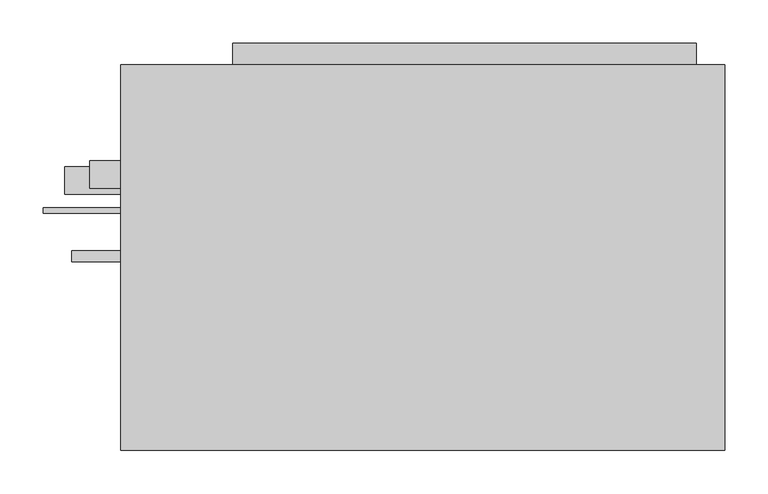
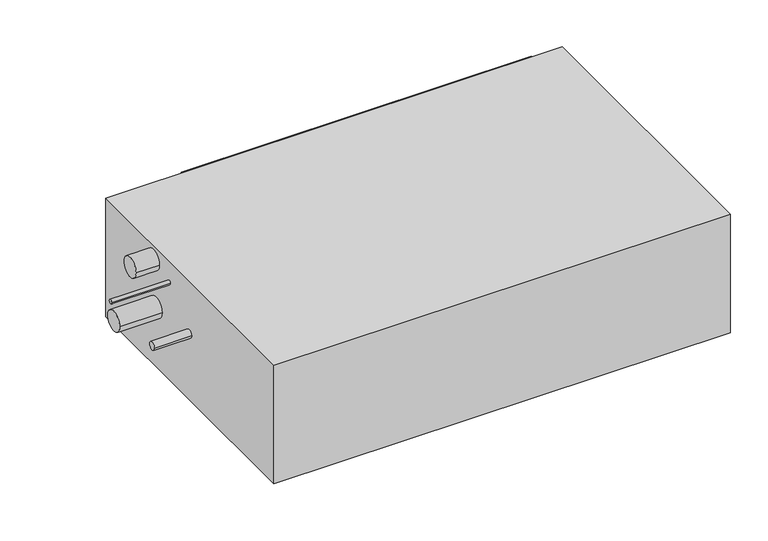
"""IFC4 building model written with IfcOpenShell, lengths in millimetres: proxy geometry."""

from ifc_helpers import new_model, si_unit, point, frame, frame_2d, origin, origin_with_axes, place, context, project, spatial, polyline, circle_curve, trimmed, segment, composite_curve, outline, extrude, source, transform, mapped, element, save


def mechanical_equipment_061bbc54(model_context):
    return source(origin(), model_context, "Body", "SweptSolid", [
        extrude(outline(polyline([(317.0, 248.5), (317.0, 223.5), (-220.0, 223.5), (-220.0, 248.5), (317.0, 248.5)])), frame((0.0, 0.0, 44.5), z_axis=(0.0, 0.0, 1.0), x_axis=(1.0, 0.0, 0.0)), (0.0, 0.0, 1.0), 128.5),
        extrude(outline(composite_curve([segment(trimmed(circle_curve(frame_2d((96.5, 170.0)), 16.0), [point((80.5, 170.0))], [point((112.5, 170.0))], False, "CARTESIAN"), True, "CONTINUOUS"), segment(trimmed(circle_curve(frame_2d((96.5, 170.0)), 16.0), [point((112.5, 170.0))], [point((80.5, 170.0))], False, "CARTESIAN"), True, "CONTINUOUS")], self_intersect=False)), frame((-386.0, 0.0, 0.0), z_axis=(1.0, 0.0, 0.0), x_axis=(0.0, 1.0, 0.0)), (0.0, 0.0, 1.0), 36.0),
        extrude(outline(composite_curve([segment(trimmed(circle_curve(frame_2d((89.5, 97.0)), 16.0), [point((73.5, 97.0))], [point((105.5, 97.0))], False, "CARTESIAN"), True, "CONTINUOUS"), segment(trimmed(circle_curve(frame_2d((89.5, 97.0)), 16.0), [point((105.5, 97.0))], [point((73.5, 97.0))], False, "CARTESIAN"), True, "CONTINUOUS")], self_intersect=False)), frame((-415.0, 0.0, 0.0), z_axis=(1.0, 0.0, 0.0), x_axis=(0.0, 1.0, 0.0)), (0.0, 0.0, 1.0), 65.0),
        extrude(outline(composite_curve([segment(trimmed(circle_curve(frame_2d((54.5, 158.0)), 3.175), [point((51.325, 158.0))], [point((57.675, 158.0))], False, "CARTESIAN"), True, "CONTINUOUS"), segment(trimmed(circle_curve(frame_2d((54.5, 158.0)), 3.175), [point((57.675, 158.0))], [point((51.325, 158.0))], False, "CARTESIAN"), True, "CONTINUOUS")], self_intersect=False)), frame((-440.0, 0.0, 0.0), z_axis=(1.0, 0.0, 0.0), x_axis=(0.0, 1.0, 0.0)), (0.0, 0.0, 1.0), 90.0),
        extrude(outline(composite_curve([segment(trimmed(circle_curve(frame_2d((1.5, 107.0)), 6.35), [point((-4.85, 107.0))], [point((7.85, 107.0))], False, "CARTESIAN"), True, "CONTINUOUS"), segment(trimmed(circle_curve(frame_2d((1.5, 107.0)), 6.35), [point((7.85, 107.0))], [point((-4.85, 107.0))], False, "CARTESIAN"), True, "CONTINUOUS")], self_intersect=False)), frame((-407.0, 0.0, 0.0), z_axis=(1.0, 0.0, 0.0), x_axis=(0.0, 1.0, 0.0)), (0.0, 0.0, 1.0), 57.0),
        extrude(outline(polyline([(350.0, -223.5), (-350.0, -223.5), (-350.0, 223.5), (350.0, 223.5), (350.0, -223.5)])), origin_with_axes(), (0.0, 0.0, 1.0), 192.0),
    ])


if __name__ == "__main__":
    model = new_model("IFC4")
    model_context = context("Model", 3, world=origin())
    ifc_project = project(units=[si_unit("LENGTHUNIT", "METRE", prefix="MILLI")], contexts=[model_context])
    site = spatial("IfcSite", under=ifc_project)
    building = spatial("IfcBuilding", under=site)
    placement = place(None, origin())
    mechanical_equipment_shape = mechanical_equipment_061bbc54(model_context)
    element("IfcBuildingElementProxy", 1, Name="Mechanical Equipment", at=placement, inside=building, context=model_context, shape_type="MappedRepresentation", body=[
        mapped(mechanical_equipment_shape, transform((0.0, 0.0, 0.0), x_axis=(1.0, 0.0, 0.0), y_axis=(0.0, 1.0, 0.0), z_axis=(0.0, 0.0, 1.0))),
    ])
    save(model, "model.ifc")
